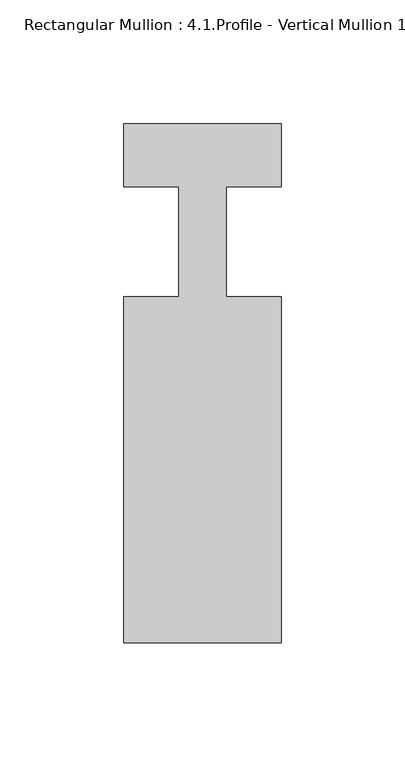
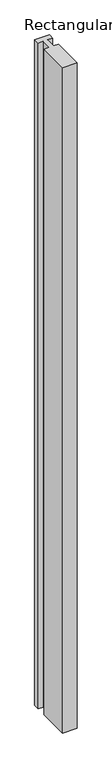
"""IFC4 building model written with IfcOpenShell, lengths in millimetres: member geometry, Rectangular Mullion : 4.1.Profile - Vertical Mullion 1-3-4 Infill Detail-6."""

import ifcopenshell
import ifcopenshell.guid

model = None  # the IFC model being written
_history = None  # IfcOwnerHistory: only IFC2X3 demands one
_inside = {}  # id of a spatial element -> (the spatial element, [elements in it])
_under = {}  # id of a project, library or spatial element -> (it, [spatial elements below it])
_declared = {}  # id of a project -> (the project, [libraries it declares])
_typed = {}  # id of a type object -> (the type object, [elements of that type])
_made_of = {}  # id of a material, layer set ... -> (it, [elements and type objects made of it])


def new_model(schema):
    """Start an empty IFC model of exactly this schema.

    Asked for "IFC4X3", IfcOpenShell would pick the latest addendum, in which some entities
    have other attributes; the version numbers below select the first issue.
    IFC2X3 requires an IfcOwnerHistory on every rooted entity: one is made here for all.
    """
    global model, _history
    if schema == "IFC4X3":
        model = ifcopenshell.file(schema_version=(4, 3, 0, 0))
    else:
        model = ifcopenshell.file(schema=schema)
    _inside.clear()
    _under.clear()
    _declared.clear()
    _typed.clear()
    _made_of.clear()
    _history = None
    if model.schema == "IFC2X3":
        org = make("IfcOrganization", Name="unknown")
        user = make(
            "IfcPersonAndOrganization",
            ThePerson=make("IfcPerson", FamilyName="unknown"),
            TheOrganization=org,
        )
        app = make(
            "IfcApplication",
            ApplicationDeveloper=org,
            Version="unknown",
            ApplicationFullName="unknown",
            ApplicationIdentifier="unknown",
        )
        _history = make(
            "IfcOwnerHistory",
            OwningUser=user,
            OwningApplication=app,
            ChangeAction="ADDED",
            CreationDate=0,
        )
    return model


def make(cls, **values):
    """One entity of the class cls with the attributes given. An attribute that is None is left unset."""
    return model.create_entity(
        cls, **{name: value for name, value in values.items() if value is not None}
    )


def rooted(cls, **values):
    """An entity with a GlobalId (a new one), such as an element, a storey or a relation."""
    return make(cls, GlobalId=ifcopenshell.guid.new(), OwnerHistory=_history, **values)


def si_unit(unit_type, name, prefix=None):
    """IfcSIUnit, for example si_unit("LENGTHUNIT", "METRE", prefix="MILLI")."""
    return make("IfcSIUnit", UnitType=unit_type, Prefix=prefix, Name=name)


def assignment(units):
    """IfcUnitAssignment: the units of a project."""
    return None if units is None else make("IfcUnitAssignment", Units=units)


def point(xyz):
    """IfcCartesianPoint."""
    return None if xyz is None else make("IfcCartesianPoint", Coordinates=xyz)


def direction(xyz):
    """IfcDirection."""
    return None if xyz is None else make("IfcDirection", DirectionRatios=xyz)


def frame(location, z_axis=None, x_axis=None):
    """IfcAxis2Placement3D, a coordinate frame: its origin and axes. An axis left out is left unset."""
    return make(
        "IfcAxis2Placement3D",
        Location=point(location),
        Axis=direction(z_axis),
        RefDirection=direction(x_axis),
    )


def origin():
    """The frame at (0, 0, 0) with its axes left unset."""
    return frame((0.0, 0.0, 0.0))


def place(relative_to, where):
    """IfcLocalPlacement: puts the frame where relative to a parent placement (None: the world)."""
    return make(
        "IfcLocalPlacement", PlacementRelTo=relative_to, RelativePlacement=where
    )


def context(
    kind, dimensions, precision=None, world=None, true_north=None, identifier=None
):
    """IfcGeometricRepresentationContext, for example the 3D "Model" context."""
    return make(
        "IfcGeometricRepresentationContext",
        ContextIdentifier=identifier,
        ContextType=kind,
        CoordinateSpaceDimension=dimensions,
        Precision=precision,
        WorldCoordinateSystem=world,
        TrueNorth=true_north,
    )


def project(units=None, contexts=None):
    """IfcProject with its units and contexts."""
    return rooted(
        "IfcProject",
        Name="project",
        RepresentationContexts=contexts,
        UnitsInContext=assignment(units),
    )


def spatial(cls, under=None, at=None, **own):
    """A site, building, storey or space (cls), placed at a placement, below another one or the project."""
    s = rooted(cls, ObjectPlacement=at, **own)
    if under is not None:
        _under.setdefault(under.id(), (under, []))[1].append(s)
    return s


def polyline(points):
    """IfcPolyline through the points."""
    return make("IfcPolyline", Points=[point(p) for p in points])


def outline(outer, holes=None, kind="AREA"):
    """IfcArbitraryClosedProfileDef: a profile drawn as a closed curve; with holes, ...WithVoids."""
    if holes is None:
        return make("IfcArbitraryClosedProfileDef", ProfileType=kind, OuterCurve=outer)
    return make(
        "IfcArbitraryProfileDefWithVoids",
        ProfileType=kind,
        OuterCurve=outer,
        InnerCurves=holes,
    )


def extrude(swept, where, along, depth):
    """IfcExtrudedAreaSolid: the profile swept, set in the frame where, extruded along a direction by depth."""
    return make(
        "IfcExtrudedAreaSolid",
        SweptArea=swept,
        Position=where,
        ExtrudedDirection=direction(along),
        Depth=depth,
    )


def shape(context_of_items, identifier, shape_type, items):
    """IfcShapeRepresentation: the items that make up one representation, for example the "Body"."""
    return make(
        "IfcShapeRepresentation",
        ContextOfItems=context_of_items,
        RepresentationIdentifier=identifier,
        RepresentationType=shape_type,
        Items=items,
    )


def source(mapping_origin, context_of_items, identifier, shape_type, items):
    """IfcRepresentationMap: a shape defined once, which mapped items show again and again."""
    return make(
        "IfcRepresentationMap",
        MappingOrigin=mapping_origin,
        MappedRepresentation=shape(context_of_items, identifier, shape_type, items),
    )


def transform(
    local_origin,
    x_axis=None,
    y_axis=None,
    z_axis=None,
    scale=None,
    scale2=None,
    scale3=None,
    uniform=True,
):
    """IfcCartesianTransformationOperator3D, or its non-uniform kind. x_axis, y_axis, z_axis: its Axis1, 2, 3."""
    if uniform:
        return make(
            "IfcCartesianTransformationOperator3D",
            Axis1=direction(x_axis),
            Axis2=direction(y_axis),
            LocalOrigin=point(local_origin),
            Scale=scale,
            Axis3=direction(z_axis),
        )
    return make(
        "IfcCartesianTransformationOperator3DnonUniform",
        Axis1=direction(x_axis),
        Axis2=direction(y_axis),
        LocalOrigin=point(local_origin),
        Scale=scale,
        Axis3=direction(z_axis),
        Scale2=scale2,
        Scale3=scale3,
    )


def mapped(mapping_source, mapping_target):
    """IfcMappedItem: shows the shape of a source again, moved by a transform."""
    return make(
        "IfcMappedItem", MappingSource=mapping_source, MappingTarget=mapping_target
    )


def made_of(thing, what):
    """Note that an element or type object is made of a material, layer set ...; save() writes the relation."""
    if what is not None:
        _made_of.setdefault(what.id(), (what, []))[1].append(thing)
    return thing


def element(
    cls,
    number,
    at=None,
    inside=None,
    cuts=None,
    type_object=None,
    material=None,
    context=None,
    identifier="Body",
    shape_type=None,
    held_by="IfcProductDefinitionShape",
    body=None,
    shapes=None,
    **own,
):
    """One element of the class cls, such as IfcWall. Its Tag is "e" and its number.

    at: its placement. inside: the storey or other place that contains it. cuts: it is an
    opening in that element (IfcRelVoidsElement). A single representation is given by context,
    identifier, shape_type and body (its items); several are given by shapes. held_by: the class
    of the entity that holds the representations. save() writes the other relations.
    """
    e = rooted(cls, Tag="e%d" % number, ObjectPlacement=at, **own)
    if body is not None:
        shapes = [shape(context, identifier, shape_type, body)]
    if shapes is not None:
        e.Representation = make(held_by, Representations=shapes)
    if inside is not None:
        _inside.setdefault(inside.id(), (inside, []))[1].append(e)
    if cuts is not None:
        rooted(
            "IfcRelVoidsElement", RelatingBuildingElement=cuts, RelatedOpeningElement=e
        )
    if type_object is not None:
        _typed.setdefault(type_object.id(), (type_object, []))[1].append(e)
    return made_of(e, material)


def aggregate(whole, parts):
    """IfcRelAggregates: a whole, such as a stair, and the parts it consists of."""
    return rooted("IfcRelAggregates", RelatingObject=whole, RelatedObjects=parts)


def save(model, path):
    """Write the relations noted so far, then the file.

    IfcRelAggregates (storeys below a building ...), IfcRelContainedInSpatialStructure (elements
    in a storey), IfcRelDefinesByType, IfcRelAssociatesMaterial and IfcRelDeclares: one each for
    every whole, place, type object, material and project.
    """
    for whole, parts in _under.values():
        aggregate(whole, parts)
    for where, things in _inside.values():
        rooted(
            "IfcRelContainedInSpatialStructure",
            RelatedElements=things,
            RelatingStructure=where,
        )
    for kind, things in _typed.values():
        rooted("IfcRelDefinesByType", RelatedObjects=things, RelatingType=kind)
    for what, things in _made_of.values():
        rooted("IfcRelAssociatesMaterial", RelatedObjects=things, RelatingMaterial=what)
    for by, libraries in _declared.values():
        rooted("IfcRelDeclares", RelatingContext=by, RelatedDefinitions=libraries)
    model.write(path)


def rectangular_mullion_4_1_profile_vertical_mullion_1_3_4_0b79df7b(model_context):
    return source(origin(), model_context, "Body", "SweptSolid", [
        extrude(outline(polyline([(-1.8e-06, -69.85), (-63.5000018, -69.85), (-63.5000018, 69.8295474), (-41.275115, 69.8295474), (-41.275115, 114.2482796), (-63.5, 114.2482796), (-63.5, 139.699995), (0.0, 139.699995), (0.0, 114.299995), (-22.2248886, 114.299995), (-22.2248886, 69.849995), (-1.8e-06, 69.849995), (-1.8e-06, -69.85)])), frame((0.0, 0.0, -3048.0), z_axis=(0.0, 0.0, 1.0), x_axis=(1.0, 0.0, 0.0)), (0.0, 0.0, 1.0), 3048.0),
    ])


if __name__ == "__main__":
    model = new_model("IFC4")
    model_context = context("Model", 3, world=origin())
    ifc_project = project(units=[si_unit("LENGTHUNIT", "METRE", prefix="MILLI")], contexts=[model_context])
    site = spatial("IfcSite", under=ifc_project)
    building = spatial("IfcBuilding", under=site)
    placement = place(None, origin())
    rectangular_mullion_4_1_profile_vertical_mullion_1_3_4_shape = rectangular_mullion_4_1_profile_vertical_mullion_1_3_4_0b79df7b(model_context)
    element("IfcMember", 1, ObjectType="Rectangular Mullion : 4.1.Profile - Vertical Mullion 1-3-4 Infill Detail-6", at=placement, inside=building, context=model_context, shape_type="MappedRepresentation", body=[
        mapped(rectangular_mullion_4_1_profile_vertical_mullion_1_3_4_shape, transform((0.0, 0.0, 0.0), x_axis=(1.0, 0.0, 0.0), y_axis=(0.0, 1.0, 0.0), z_axis=(0.0, 0.0, 1.0))),
    ])
    save(model, "model.ifc")
